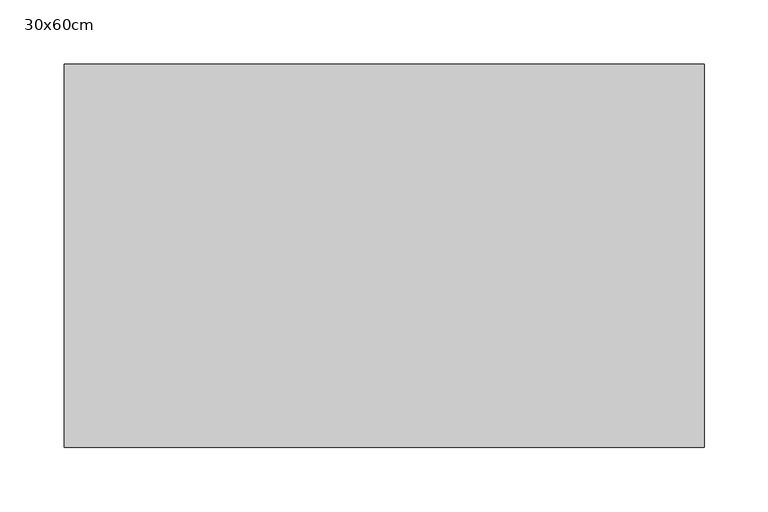
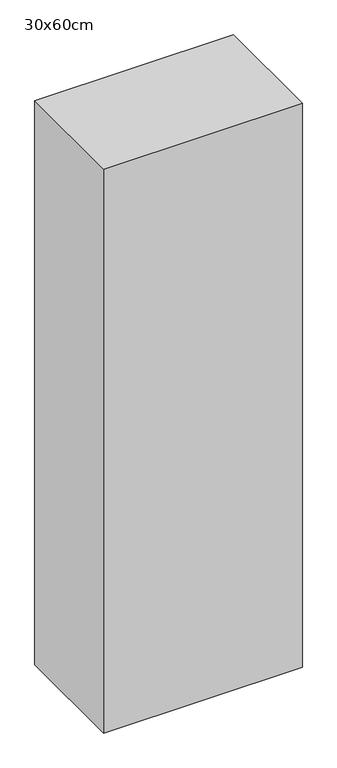
"""IFC4 building model written with IfcOpenShell, lengths in millimetres: proxy geometry, 30x60cm."""

from ifc_helpers import new_model, si_unit, frame, origin, place, context, project, spatial, polyline, outline, extrude, source, transform, mapped, element, save


def proxy_30x60cm_b0a7b49b(model_context):
    return source(origin(), model_context, "Body", "SweptSolid", [
        extrude(outline(polyline([(500.0, 300.0), (500.0, 0.0), (0.0, 0.0), (0.0, 300.0), (500.0, 300.0)])), frame((0.0, 0.0, 1300.0), z_axis=(0.0, 0.0, 1.0), x_axis=(1.0, 0.0, 0.0)), (0.0, 0.0, 1.0), 1500.0),
    ])


if __name__ == "__main__":
    model = new_model("IFC4")
    model_context = context("Model", 3, world=origin())
    ifc_project = project(units=[si_unit("LENGTHUNIT", "METRE", prefix="MILLI")], contexts=[model_context])
    site = spatial("IfcSite", under=ifc_project)
    building = spatial("IfcBuilding", under=site)
    placement = place(None, origin())
    proxy_30x60cm_shape = proxy_30x60cm_b0a7b49b(model_context)
    element("IfcBuildingElementProxy", 1, Name="30x60cm", ObjectType="30x60cm", at=placement, inside=building, context=model_context, shape_type="MappedRepresentation", body=[
        mapped(proxy_30x60cm_shape, transform((0.0, 0.0, 0.0), x_axis=(1.0, 0.0, 0.0), y_axis=(0.0, 1.0, 0.0), z_axis=(0.0, 0.0, 1.0))),
    ])
    save(model, "model.ifc")
